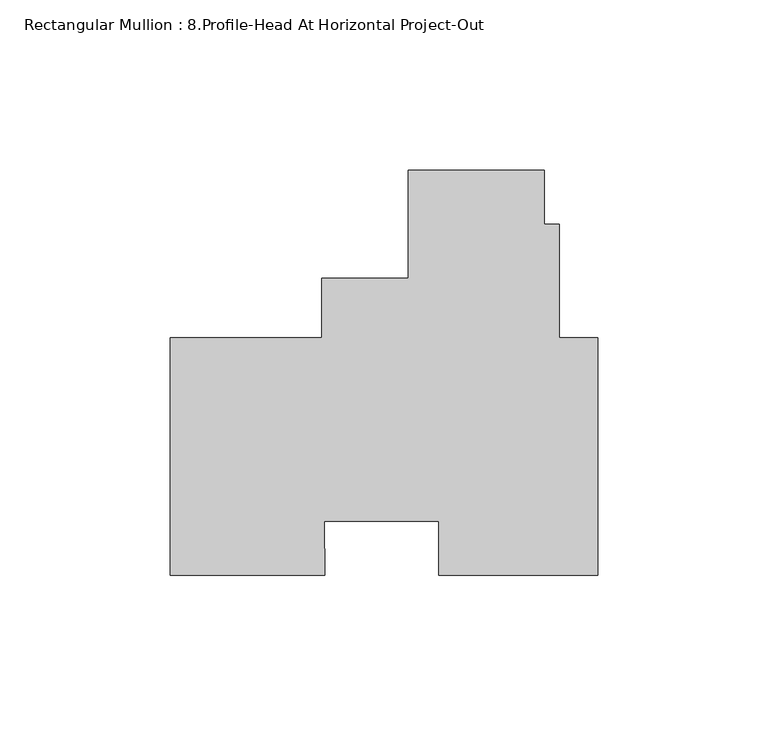
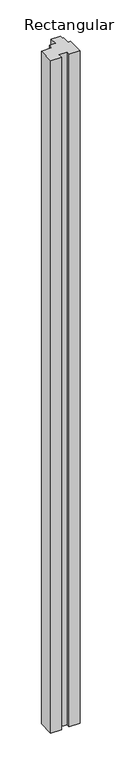
"""IFC4 building model written with IfcOpenShell, lengths in millimetres: member geometry, Rectangular Mullion : 8.Profile-Head At Horizontal Project-Out."""

from ifc_helpers import new_model, si_unit, frame, origin, place, context, project, spatial, polyline, outline, extrude, source, transform, mapped, element, save


def rectangular_mullion_8_profile_head_at_horizontal_project_out_0074ecac(model_context):
    return source(origin(), model_context, "Body", "SweptSolid", [
        extrude(outline(polyline([(-55.740198, 84.14837), (-15.7432204, 84.14837), (-15.7432204, 68.2742795), (-11.2982204, 68.2742795), (-11.2982204, 34.925), (0.0, 34.925), (0.0, -34.925), (-46.8497888, -34.925), (-46.8497888, -19.05), (-80.4751121, -19.05), (-80.2810629, -34.925), (-125.7808, -34.925), (-125.7808, 34.925), (-81.140198, 34.925), (-81.140198, 52.4002), (-55.740198, 52.4002), (-55.740198, 84.14837)])), frame((0.0, 0.0, -3048.0), z_axis=(0.0, 0.0, 1.0), x_axis=(1.0, 0.0, 0.0)), (0.0, 0.0, 1.0), 3048.0),
    ])


if __name__ == "__main__":
    model = new_model("IFC4")
    model_context = context("Model", 3, world=origin())
    ifc_project = project(units=[si_unit("LENGTHUNIT", "METRE", prefix="MILLI")], contexts=[model_context])
    site = spatial("IfcSite", under=ifc_project)
    building = spatial("IfcBuilding", under=site)
    placement = place(None, origin())
    rectangular_mullion_8_profile_head_at_horizontal_project_out_shape = rectangular_mullion_8_profile_head_at_horizontal_project_out_0074ecac(model_context)
    element("IfcMember", 1, ObjectType="Rectangular Mullion : 8.Profile-Head At Horizontal Project-Out", at=placement, inside=building, context=model_context, shape_type="MappedRepresentation", body=[
        mapped(rectangular_mullion_8_profile_head_at_horizontal_project_out_shape, transform((0.0, 0.0, 0.0), x_axis=(1.0, 0.0, 0.0), y_axis=(0.0, 1.0, 0.0), z_axis=(0.0, 0.0, 1.0))),
    ])
    save(model, "model.ifc")
